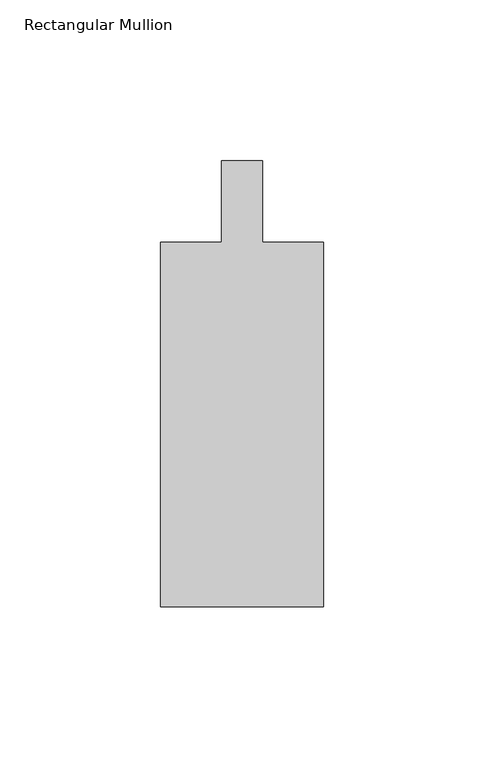
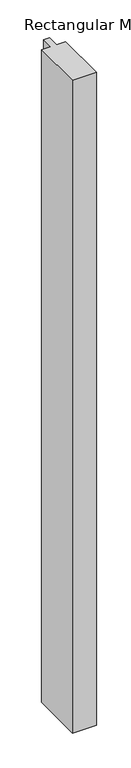
"""IFC4 building model written with IfcOpenShell, lengths in millimetres: member geometry, Rectangular Mullion."""

from ifc_helpers import new_model, si_unit, frame, origin, place, context, project, spatial, polyline, outline, extrude, source, transform, mapped, element, save


def rectangular_mullion_42dbc453(model_context):
    return source(origin(), model_context, "Body", "SweptSolid", [
        extrude(outline(polyline([(-25.4, -138.90625), (-25.4, -25.4), (-6.35, -25.4), (-6.35, 0.0), (6.35, 0.0), (6.35, -25.4), (25.4, -25.4), (25.4, -138.90625), (-25.4, -138.90625)])), frame((0.0, 0.0, -1466.85), z_axis=(0.0, 0.0, 1.0), x_axis=(1.0, 0.0, 0.0)), (0.0, 0.0, 1.0), 1466.85),
    ])


if __name__ == "__main__":
    model = new_model("IFC4")
    model_context = context("Model", 3, world=origin())
    ifc_project = project(units=[si_unit("LENGTHUNIT", "METRE", prefix="MILLI")], contexts=[model_context])
    site = spatial("IfcSite", under=ifc_project)
    building = spatial("IfcBuilding", under=site)
    placement = place(None, origin())
    rectangular_mullion_shape = rectangular_mullion_42dbc453(model_context)
    element("IfcMember", 1, ObjectType="Rectangular Mullion", at=placement, inside=building, context=model_context, shape_type="MappedRepresentation", body=[
        mapped(rectangular_mullion_shape, transform((0.0, 0.0, 0.0), x_axis=(1.0, 0.0, 0.0), y_axis=(0.0, 1.0, 0.0), z_axis=(0.0, 0.0, 1.0))),
    ])
    save(model, "model.ifc")
